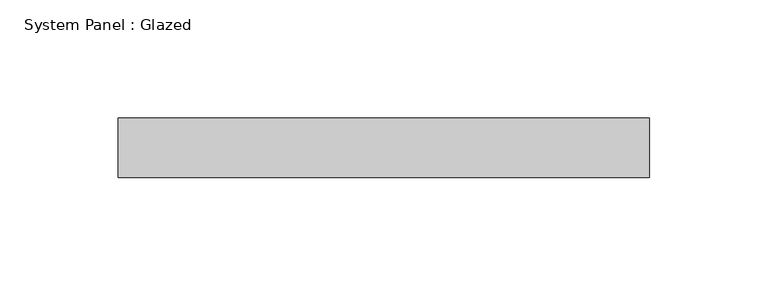
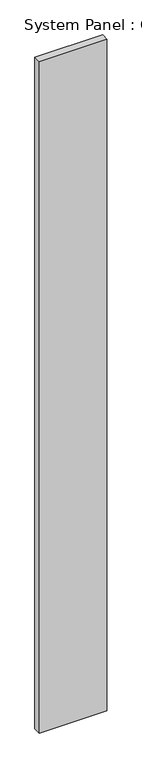
"""IFC4 building model written with IfcOpenShell, lengths in millimetres: plate geometry, System Panel : Glazed."""

from ifc_helpers import new_model, si_unit, origin, origin_with_axes, place, context, project, spatial, polyline, outline, extrude, source, transform, mapped, element, save


def system_panel_glazed_9edef8f6(model_context):
    return source(origin(), model_context, "Body", "SweptSolid", [
        extrude(outline(polyline([(112.0771004, 24.5), (-112.0771004, 24.5), (-112.0771004, 49.5), (112.0771004, 49.5), (112.0771004, 24.5)])), origin_with_axes(), (0.0, 0.0, 1.0), 2350.0),
    ])


if __name__ == "__main__":
    model = new_model("IFC4")
    model_context = context("Model", 3, world=origin())
    ifc_project = project(units=[si_unit("LENGTHUNIT", "METRE", prefix="MILLI")], contexts=[model_context])
    site = spatial("IfcSite", under=ifc_project)
    building = spatial("IfcBuilding", under=site)
    placement = place(None, origin())
    system_panel_glazed_shape = system_panel_glazed_9edef8f6(model_context)
    element("IfcPlate", 1, ObjectType="System Panel : Glazed", at=placement, inside=building, context=model_context, shape_type="MappedRepresentation", body=[
        mapped(system_panel_glazed_shape, transform((0.0, 0.0, 0.0), x_axis=(1.0, 0.0, 0.0), y_axis=(0.0, 1.0, 0.0), z_axis=(0.0, 0.0, 1.0))),
    ])
    save(model, "model.ifc")
